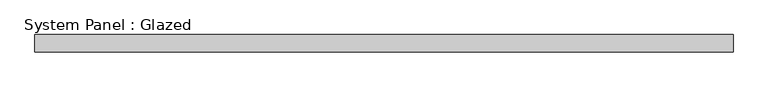
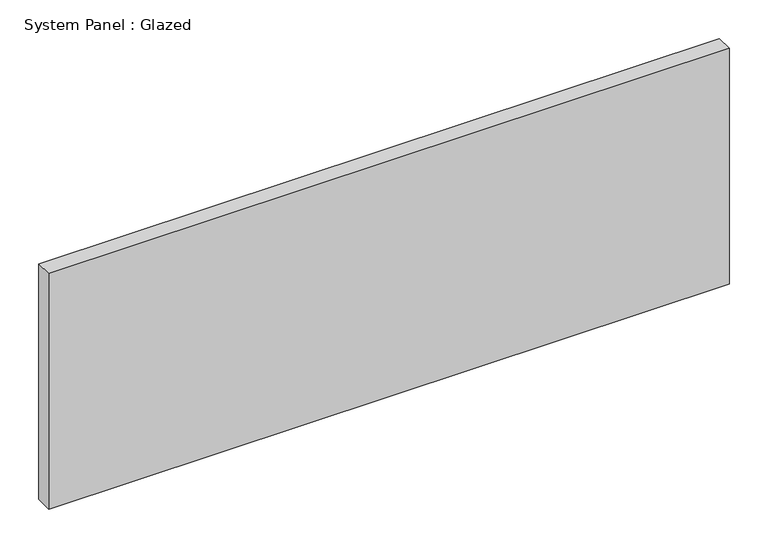
"""IFC4 building model written with IfcOpenShell, lengths in millimetres: plate geometry, System Panel : Glazed."""

from ifc_helpers import new_model, si_unit, origin, origin_with_axes, place, context, project, spatial, polyline, outline, extrude, source, transform, mapped, element, save


def system_panel_glazed_5d7ac011(model_context):
    return source(origin(), model_context, "Body", "SweptSolid", [
        extrude(outline(polyline([(508.0, 19.05), (-508.0, 19.05), (-508.0, 44.45), (508.0, 44.45), (508.0, 19.05)])), origin_with_axes(), (0.0, 0.0, 1.0), 371.9285714),
    ])


if __name__ == "__main__":
    model = new_model("IFC4")
    model_context = context("Model", 3, world=origin())
    ifc_project = project(units=[si_unit("LENGTHUNIT", "METRE", prefix="MILLI")], contexts=[model_context])
    site = spatial("IfcSite", under=ifc_project)
    building = spatial("IfcBuilding", under=site)
    placement = place(None, origin())
    system_panel_glazed_shape = system_panel_glazed_5d7ac011(model_context)
    element("IfcPlate", 1, ObjectType="System Panel : Glazed", at=placement, inside=building, context=model_context, shape_type="MappedRepresentation", body=[
        mapped(system_panel_glazed_shape, transform((0.0, 0.0, 0.0), x_axis=(1.0, 0.0, 0.0), y_axis=(0.0, 1.0, 0.0), z_axis=(0.0, 0.0, 1.0))),
    ])
    save(model, "model.ifc")
